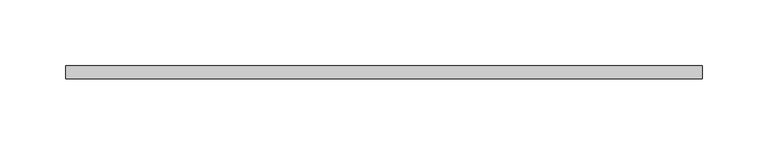
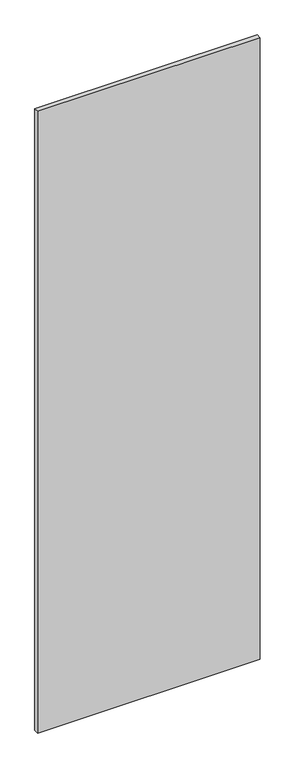
"""IFC4 building model written with IfcOpenShell, lengths in millimetres: plate geometry."""

from ifc_helpers import new_model, si_unit, origin, origin_with_axes, place, context, project, spatial, polyline, outline, extrude, source, transform, mapped, element, save


def plate_c8db20b3(model_context):
    return source(origin(), model_context, "Body", "SweptSolid", [
        extrude(outline(polyline([(242.5, -5.0), (-242.5, -5.0), (-242.5, 5.0), (242.5, 5.0), (242.5, -5.0)])), origin_with_axes(), (0.0, 0.0, 1.0), 1430.0),
    ])


if __name__ == "__main__":
    model = new_model("IFC4")
    model_context = context("Model", 3, world=origin())
    ifc_project = project(units=[si_unit("LENGTHUNIT", "METRE", prefix="MILLI")], contexts=[model_context])
    site = spatial("IfcSite", under=ifc_project)
    building = spatial("IfcBuilding", under=site)
    placement = place(None, origin())
    plate_shape = plate_c8db20b3(model_context)
    element("IfcPlate", 1, at=placement, inside=building, context=model_context, shape_type="MappedRepresentation", body=[
        mapped(plate_shape, transform((0.0, 0.0, 0.0), x_axis=(1.0, 0.0, 0.0), y_axis=(0.0, 1.0, 0.0), z_axis=(0.0, 0.0, 1.0))),
    ])
    save(model, "model.ifc")
